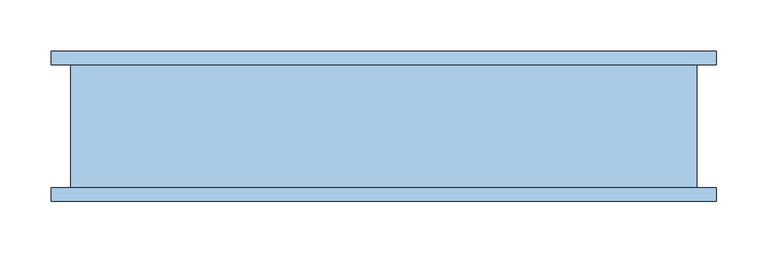
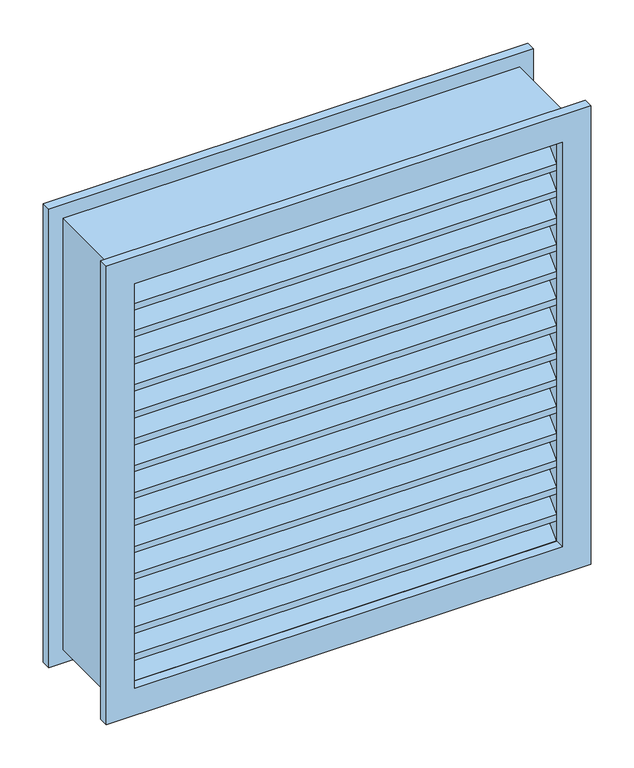
"""IFC4 building model written with IfcOpenShell, lengths in millimetres: window geometry."""

from ifc_helpers import new_model, si_unit, frame, origin, place, context, project, spatial, polyline, outline, extrude, source, transform, mapped, element, save


def window_2995876a(model_context):
    return source(origin(), model_context, "Body", "SweptSolid", [
        extrude(outline(polyline([(1543.55, -323.95), (896.05, -323.95), (896.05, 323.95), (1543.55, 323.95), (1543.55, -323.95)]), holes=[polyline([(1505.55, -285.95), (1505.55, 285.95), (934.05, 285.95), (934.05, -285.95), (1505.55, -285.95)])]), frame((0.0, -66.65, 0.0), z_axis=(0.0, 1.0, 0.0), x_axis=(0.0, 0.0, 1.0)), (0.0, 0.0, 1.0), 13.0),
        extrude(outline(polyline([(1543.55, 323.95), (1543.55, -323.95), (896.05, -323.95), (896.05, 323.95), (1543.55, 323.95)]), holes=[polyline([(1505.55, 285.95), (934.05, 285.95), (934.05, -285.95), (1505.55, -285.95), (1505.55, 285.95)])]), frame((0.0, 66.35, 0.0), z_axis=(0.0, 1.0, 0.0), x_axis=(0.0, 0.0, 1.0)), (0.0, 0.0, 1.0), 13.0),
        extrude(outline(polyline([(1524.6, 305.0), (1524.6, -305.0), (915.0, -305.0), (915.0, 305.0), (1524.6, 305.0)]), holes=[polyline([(1505.55, 285.95), (934.05, 285.95), (934.05, -285.95), (1505.55, -285.95), (1505.55, 285.95)])]), frame((0.0, -53.65, 0.0), z_axis=(0.0, 1.0, 0.0), x_axis=(0.0, 0.0, 1.0)), (0.0, 0.0, 1.0), 120.0),
        extrude(outline(polyline([(-17.7289755, 969.9710245), (18.192049, 934.05), (9.2117928, 934.05), (-17.7289755, 960.9907684), (-44.6697439, 934.05), (-53.65, 934.05), (-17.7289755, 969.9710245)])), frame((-285.95, 0.0, 0.0), z_axis=(1.0, 0.0, 0.0), x_axis=(0.0, 1.0, 0.0)), (0.0, 0.0, 1.0), 571.9),
        extrude(outline(polyline([(-17.7289755, 1008.0710245), (18.192049, 972.15), (18.192049, 963.1697439), (-17.7289755, 999.0907684), (-53.65, 963.1697439), (-53.65, 972.15), (-17.7289755, 1008.0710245)])), frame((-285.95, 0.0, 0.0), z_axis=(1.0, 0.0, 0.0), x_axis=(0.0, 1.0, 0.0)), (0.0, 0.0, 1.0), 571.9),
        extrude(outline(polyline([(-17.7289755, 1046.1710245), (18.192049, 1010.25), (18.192049, 1001.2697439), (-17.7289755, 1037.1907684), (-53.65, 1001.2697439), (-53.65, 1010.25), (-17.7289755, 1046.1710245)])), frame((-285.95, 0.0, 0.0), z_axis=(1.0, 0.0, 0.0), x_axis=(0.0, 1.0, 0.0)), (0.0, 0.0, 1.0), 571.9),
        extrude(outline(polyline([(-17.7289755, 1084.2710245), (18.192049, 1048.35), (18.192049, 1039.3697439), (-17.7289755, 1075.2907684), (-53.65, 1039.3697439), (-53.65, 1048.35), (-17.7289755, 1084.2710245)])), frame((-285.95, 0.0, 0.0), z_axis=(1.0, 0.0, 0.0), x_axis=(0.0, 1.0, 0.0)), (0.0, 0.0, 1.0), 571.9),
        extrude(outline(polyline([(-17.7289755, 1122.3710245), (18.192049, 1086.45), (18.192049, 1077.4697439), (-17.7289755, 1113.3907684), (-53.65, 1077.4697439), (-53.65, 1086.45), (-17.7289755, 1122.3710245)])), frame((-285.95, 0.0, 0.0), z_axis=(1.0, 0.0, 0.0), x_axis=(0.0, 1.0, 0.0)), (0.0, 0.0, 1.0), 571.9),
        extrude(outline(polyline([(-17.7289755, 1160.4710245), (18.192049, 1124.55), (18.192049, 1115.5697439), (-17.7289755, 1151.4907684), (-53.65, 1115.5697439), (-53.65, 1124.55), (-17.7289755, 1160.4710245)])), frame((-285.95, 0.0, 0.0), z_axis=(1.0, 0.0, 0.0), x_axis=(0.0, 1.0, 0.0)), (0.0, 0.0, 1.0), 571.9),
        extrude(outline(polyline([(-17.7289755, 1198.5710245), (18.192049, 1162.65), (18.192049, 1153.6697439), (-17.7289755, 1189.5907684), (-53.65, 1153.6697439), (-53.65, 1162.65), (-17.7289755, 1198.5710245)])), frame((-285.95, 0.0, 0.0), z_axis=(1.0, 0.0, 0.0), x_axis=(0.0, 1.0, 0.0)), (0.0, 0.0, 1.0), 571.9),
        extrude(outline(polyline([(-17.7289755, 1236.6710245), (18.192049, 1200.75), (18.192049, 1191.7697439), (-17.7289755, 1227.6907684), (-53.65, 1191.7697439), (-53.65, 1200.75), (-17.7289755, 1236.6710245)])), frame((-285.95, 0.0, 0.0), z_axis=(1.0, 0.0, 0.0), x_axis=(0.0, 1.0, 0.0)), (0.0, 0.0, 1.0), 571.9),
        extrude(outline(polyline([(-17.7289755, 1274.7710245), (18.192049, 1238.85), (18.192049, 1229.8697439), (-17.7289755, 1265.7907684), (-53.65, 1229.8697439), (-53.65, 1238.85), (-17.7289755, 1274.7710245)])), frame((-285.95, 0.0, 0.0), z_axis=(1.0, 0.0, 0.0), x_axis=(0.0, 1.0, 0.0)), (0.0, 0.0, 1.0), 571.9),
        extrude(outline(polyline([(-17.7289755, 1312.8710245), (18.192049, 1276.95), (18.192049, 1267.9697439), (-17.7289755, 1303.8907684), (-53.65, 1267.9697439), (-53.65, 1276.95), (-17.7289755, 1312.8710245)])), frame((-285.95, 0.0, 0.0), z_axis=(1.0, 0.0, 0.0), x_axis=(0.0, 1.0, 0.0)), (0.0, 0.0, 1.0), 571.9),
        extrude(outline(polyline([(-17.7289755, 1350.9710245), (18.192049, 1315.05), (18.192049, 1306.0697439), (-17.7289755, 1341.9907684), (-53.65, 1306.0697439), (-53.65, 1315.05), (-17.7289755, 1350.9710245)])), frame((-285.95, 0.0, 0.0), z_axis=(1.0, 0.0, 0.0), x_axis=(0.0, 1.0, 0.0)), (0.0, 0.0, 1.0), 571.9),
        extrude(outline(polyline([(-17.7289755, 1389.0710245), (18.192049, 1353.15), (18.192049, 1344.1697439), (-17.7289755, 1380.0907684), (-53.65, 1344.1697439), (-53.65, 1353.15), (-17.7289755, 1389.0710245)])), frame((-285.95, 0.0, 0.0), z_axis=(1.0, 0.0, 0.0), x_axis=(0.0, 1.0, 0.0)), (0.0, 0.0, 1.0), 571.9),
        extrude(outline(polyline([(-17.7289755, 1427.1710245), (18.192049, 1391.25), (18.192049, 1382.2697439), (-17.7289755, 1418.1907684), (-53.65, 1382.2697439), (-53.65, 1391.25), (-17.7289755, 1427.1710245)])), frame((-285.95, 0.0, 0.0), z_axis=(1.0, 0.0, 0.0), x_axis=(0.0, 1.0, 0.0)), (0.0, 0.0, 1.0), 571.9),
        extrude(outline(polyline([(-17.7289755, 1465.1710245), (18.192049, 1429.35), (18.192049, 1420.3697439), (-17.7289755, 1456.2907684), (-53.65, 1420.3697439), (-53.65, 1429.35), (-17.7289755, 1465.1710245)])), frame((-285.95, 0.0, 0.0), z_axis=(1.0, 0.0, 0.0), x_axis=(0.0, 1.0, 0.0)), (0.0, 0.0, 1.0), 571.9),
        extrude(outline(polyline([(-17.7289755, 1503.2710245), (18.192049, 1467.35), (18.192049, 1458.3697439), (-17.7289755, 1494.2907684), (-53.65, 1458.3697439), (-53.65, 1467.35), (-17.7289755, 1503.2710245)])), frame((-285.95, 0.0, 0.0), z_axis=(1.0, 0.0, 0.0), x_axis=(0.0, 1.0, 0.0)), (0.0, 0.0, 1.0), 571.9),
    ])


if __name__ == "__main__":
    model = new_model("IFC4")
    model_context = context("Model", 3, world=origin())
    ifc_project = project(units=[si_unit("LENGTHUNIT", "METRE", prefix="MILLI")], contexts=[model_context])
    site = spatial("IfcSite", under=ifc_project)
    building = spatial("IfcBuilding", under=site)
    placement = place(None, origin())
    window_shape = window_2995876a(model_context)
    element("IfcWindow", 1, at=placement, inside=building, context=model_context, shape_type="MappedRepresentation", body=[
        mapped(window_shape, transform((0.0, 0.0, 0.0), x_axis=(1.0, 0.0, 0.0), y_axis=(0.0, 1.0, 0.0), z_axis=(0.0, 0.0, 1.0))),
    ])
    save(model, "model.ifc")
